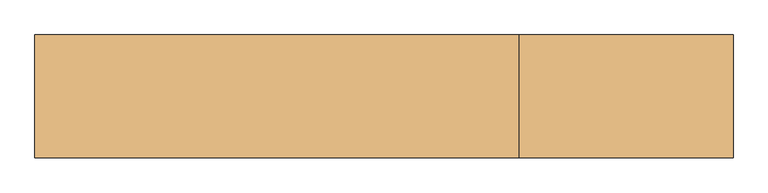
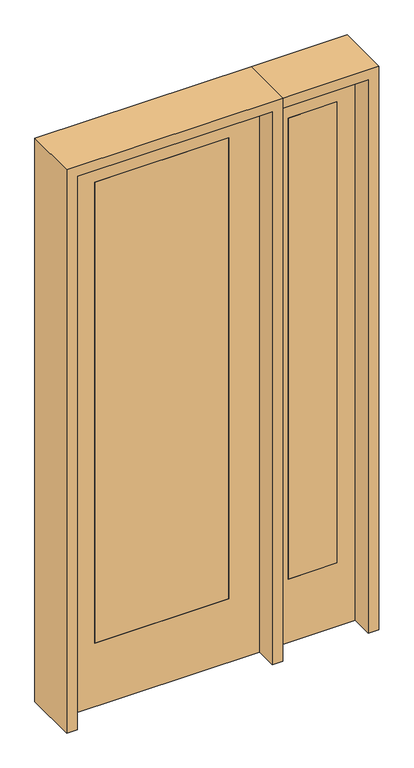
"""IFC4 building model written with IfcOpenShell, lengths in millimetres: door geometry."""

import ifcopenshell
import ifcopenshell.guid

model = None  # the IFC model being written
_history = None  # IfcOwnerHistory: only IFC2X3 demands one
_inside = {}  # id of a spatial element -> (the spatial element, [elements in it])
_under = {}  # id of a project, library or spatial element -> (it, [spatial elements below it])
_declared = {}  # id of a project -> (the project, [libraries it declares])
_typed = {}  # id of a type object -> (the type object, [elements of that type])
_made_of = {}  # id of a material, layer set ... -> (it, [elements and type objects made of it])


def new_model(schema):
    """Start an empty IFC model of exactly this schema.

    Asked for "IFC4X3", IfcOpenShell would pick the latest addendum, in which some entities
    have other attributes; the version numbers below select the first issue.
    IFC2X3 requires an IfcOwnerHistory on every rooted entity: one is made here for all.
    """
    global model, _history
    if schema == "IFC4X3":
        model = ifcopenshell.file(schema_version=(4, 3, 0, 0))
    else:
        model = ifcopenshell.file(schema=schema)
    _inside.clear()
    _under.clear()
    _declared.clear()
    _typed.clear()
    _made_of.clear()
    _history = None
    if model.schema == "IFC2X3":
        org = make("IfcOrganization", Name="unknown")
        user = make(
            "IfcPersonAndOrganization",
            ThePerson=make("IfcPerson", FamilyName="unknown"),
            TheOrganization=org,
        )
        app = make(
            "IfcApplication",
            ApplicationDeveloper=org,
            Version="unknown",
            ApplicationFullName="unknown",
            ApplicationIdentifier="unknown",
        )
        _history = make(
            "IfcOwnerHistory",
            OwningUser=user,
            OwningApplication=app,
            ChangeAction="ADDED",
            CreationDate=0,
        )
    return model


def make(cls, **values):
    """One entity of the class cls with the attributes given. An attribute that is None is left unset."""
    return model.create_entity(
        cls, **{name: value for name, value in values.items() if value is not None}
    )


def rooted(cls, **values):
    """An entity with a GlobalId (a new one), such as an element, a storey or a relation."""
    return make(cls, GlobalId=ifcopenshell.guid.new(), OwnerHistory=_history, **values)


def si_unit(unit_type, name, prefix=None):
    """IfcSIUnit, for example si_unit("LENGTHUNIT", "METRE", prefix="MILLI")."""
    return make("IfcSIUnit", UnitType=unit_type, Prefix=prefix, Name=name)


def assignment(units):
    """IfcUnitAssignment: the units of a project."""
    return None if units is None else make("IfcUnitAssignment", Units=units)


def point(xyz):
    """IfcCartesianPoint."""
    return None if xyz is None else make("IfcCartesianPoint", Coordinates=xyz)


def direction(xyz):
    """IfcDirection."""
    return None if xyz is None else make("IfcDirection", DirectionRatios=xyz)


def frame(location, z_axis=None, x_axis=None):
    """IfcAxis2Placement3D, a coordinate frame: its origin and axes. An axis left out is left unset."""
    return make(
        "IfcAxis2Placement3D",
        Location=point(location),
        Axis=direction(z_axis),
        RefDirection=direction(x_axis),
    )


def origin():
    """The frame at (0, 0, 0) with its axes left unset."""
    return frame((0.0, 0.0, 0.0))


def place(relative_to, where):
    """IfcLocalPlacement: puts the frame where relative to a parent placement (None: the world)."""
    return make(
        "IfcLocalPlacement", PlacementRelTo=relative_to, RelativePlacement=where
    )


def context(
    kind, dimensions, precision=None, world=None, true_north=None, identifier=None
):
    """IfcGeometricRepresentationContext, for example the 3D "Model" context."""
    return make(
        "IfcGeometricRepresentationContext",
        ContextIdentifier=identifier,
        ContextType=kind,
        CoordinateSpaceDimension=dimensions,
        Precision=precision,
        WorldCoordinateSystem=world,
        TrueNorth=true_north,
    )


def project(units=None, contexts=None):
    """IfcProject with its units and contexts."""
    return rooted(
        "IfcProject",
        Name="project",
        RepresentationContexts=contexts,
        UnitsInContext=assignment(units),
    )


def spatial(cls, under=None, at=None, **own):
    """A site, building, storey or space (cls), placed at a placement, below another one or the project."""
    s = rooted(cls, ObjectPlacement=at, **own)
    if under is not None:
        _under.setdefault(under.id(), (under, []))[1].append(s)
    return s


def polyline(points):
    """IfcPolyline through the points."""
    return make("IfcPolyline", Points=[point(p) for p in points])


def outline(outer, holes=None, kind="AREA"):
    """IfcArbitraryClosedProfileDef: a profile drawn as a closed curve; with holes, ...WithVoids."""
    if holes is None:
        return make("IfcArbitraryClosedProfileDef", ProfileType=kind, OuterCurve=outer)
    return make(
        "IfcArbitraryProfileDefWithVoids",
        ProfileType=kind,
        OuterCurve=outer,
        InnerCurves=holes,
    )


def extrude(swept, where, along, depth):
    """IfcExtrudedAreaSolid: the profile swept, set in the frame where, extruded along a direction by depth."""
    return make(
        "IfcExtrudedAreaSolid",
        SweptArea=swept,
        Position=where,
        ExtrudedDirection=direction(along),
        Depth=depth,
    )


def shape(context_of_items, identifier, shape_type, items):
    """IfcShapeRepresentation: the items that make up one representation, for example the "Body"."""
    return make(
        "IfcShapeRepresentation",
        ContextOfItems=context_of_items,
        RepresentationIdentifier=identifier,
        RepresentationType=shape_type,
        Items=items,
    )


def source(mapping_origin, context_of_items, identifier, shape_type, items):
    """IfcRepresentationMap: a shape defined once, which mapped items show again and again."""
    return make(
        "IfcRepresentationMap",
        MappingOrigin=mapping_origin,
        MappedRepresentation=shape(context_of_items, identifier, shape_type, items),
    )


def transform(
    local_origin,
    x_axis=None,
    y_axis=None,
    z_axis=None,
    scale=None,
    scale2=None,
    scale3=None,
    uniform=True,
):
    """IfcCartesianTransformationOperator3D, or its non-uniform kind. x_axis, y_axis, z_axis: its Axis1, 2, 3."""
    if uniform:
        return make(
            "IfcCartesianTransformationOperator3D",
            Axis1=direction(x_axis),
            Axis2=direction(y_axis),
            LocalOrigin=point(local_origin),
            Scale=scale,
            Axis3=direction(z_axis),
        )
    return make(
        "IfcCartesianTransformationOperator3DnonUniform",
        Axis1=direction(x_axis),
        Axis2=direction(y_axis),
        LocalOrigin=point(local_origin),
        Scale=scale,
        Axis3=direction(z_axis),
        Scale2=scale2,
        Scale3=scale3,
    )


def mapped(mapping_source, mapping_target):
    """IfcMappedItem: shows the shape of a source again, moved by a transform."""
    return make(
        "IfcMappedItem", MappingSource=mapping_source, MappingTarget=mapping_target
    )


def made_of(thing, what):
    """Note that an element or type object is made of a material, layer set ...; save() writes the relation."""
    if what is not None:
        _made_of.setdefault(what.id(), (what, []))[1].append(thing)
    return thing


def element(
    cls,
    number,
    at=None,
    inside=None,
    cuts=None,
    type_object=None,
    material=None,
    context=None,
    identifier="Body",
    shape_type=None,
    held_by="IfcProductDefinitionShape",
    body=None,
    shapes=None,
    **own,
):
    """One element of the class cls, such as IfcWall. Its Tag is "e" and its number.

    at: its placement. inside: the storey or other place that contains it. cuts: it is an
    opening in that element (IfcRelVoidsElement). A single representation is given by context,
    identifier, shape_type and body (its items); several are given by shapes. held_by: the class
    of the entity that holds the representations. save() writes the other relations.
    """
    e = rooted(cls, Tag="e%d" % number, ObjectPlacement=at, **own)
    if body is not None:
        shapes = [shape(context, identifier, shape_type, body)]
    if shapes is not None:
        e.Representation = make(held_by, Representations=shapes)
    if inside is not None:
        _inside.setdefault(inside.id(), (inside, []))[1].append(e)
    if cuts is not None:
        rooted(
            "IfcRelVoidsElement", RelatingBuildingElement=cuts, RelatedOpeningElement=e
        )
    if type_object is not None:
        _typed.setdefault(type_object.id(), (type_object, []))[1].append(e)
    return made_of(e, material)


def aggregate(whole, parts):
    """IfcRelAggregates: a whole, such as a stair, and the parts it consists of."""
    return rooted("IfcRelAggregates", RelatingObject=whole, RelatedObjects=parts)


def save(model, path):
    """Write the relations noted so far, then the file.

    IfcRelAggregates (storeys below a building ...), IfcRelContainedInSpatialStructure (elements
    in a storey), IfcRelDefinesByType, IfcRelAssociatesMaterial and IfcRelDeclares: one each for
    every whole, place, type object, material and project.
    """
    for whole, parts in _under.values():
        aggregate(whole, parts)
    for where, things in _inside.values():
        rooted(
            "IfcRelContainedInSpatialStructure",
            RelatedElements=things,
            RelatingStructure=where,
        )
    for kind, things in _typed.values():
        rooted("IfcRelDefinesByType", RelatedObjects=things, RelatingType=kind)
    for what, things in _made_of.values():
        rooted("IfcRelAssociatesMaterial", RelatedObjects=things, RelatingMaterial=what)
    for by, libraries in _declared.values():
        rooted("IfcRelDeclares", RelatingContext=by, RelatedDefinitions=libraries)
    model.write(path)


def door_c3f49b7a(model_context):
    return source(origin(), model_context, "Body", "SweptSolid", [
        extrude(outline(polyline([(527.05, -20.6375), (527.05, 20.6375), (730.25, 20.6375), (730.25, -20.6375), (527.05, -20.6375)])), frame((0.0, 0.0, 279.4), z_axis=(0.0, 0.0, 1.0), x_axis=(1.0, 0.0, 0.0)), (0.0, 0.0, 1.0), 2032.0),
        extrude(outline(polyline([(0.0, 806.45), (2438.4, 806.45), (2438.4, 450.85), (0.0, 450.85), (0.0, 806.45)]), holes=[polyline([(2311.4, 527.05), (2311.4, 730.25), (279.4, 730.25), (279.4, 527.05), (2311.4, 527.05)])]), frame((0.0, -20.6375, 0.0), z_axis=(0.0, 1.0, 0.0), x_axis=(0.0, 0.0, 1.0)), (0.0, 0.0, 1.0), 41.275),
        extrude(outline(polyline([(2438.4, 406.4), (2438.4, -406.4), (0.0, -406.4), (0.0, 406.4), (2438.4, 406.4)]), holes=[polyline([(279.4, 279.4), (279.4, -279.4), (2311.4, -279.4), (2311.4, 279.4), (279.4, 279.4)])]), frame((0.0, -20.6375, 0.0), z_axis=(0.0, 1.0, 0.0), x_axis=(0.0, 0.0, 1.0)), (0.0, 0.0, 1.0), 41.275),
        extrude(outline(polyline([(279.4, -20.6375), (-279.4, -20.6375), (-279.4, 20.6375), (279.4, 20.6375), (279.4, -20.6375)])), frame((0.0, 0.0, 279.4), z_axis=(0.0, 0.0, 1.0), x_axis=(1.0, 0.0, 0.0)), (0.0, 0.0, 1.0), 2032.0),
        extrude(outline(polyline([(2482.85, -450.85), (0.0, -450.85), (0.0, -406.4), (2438.4, -406.4), (2438.4, 406.4), (0.0, 406.4), (0.0, 450.85), (2482.85, 450.85), (2482.85, -450.85)])), frame((0.0, -114.3, 0.0), z_axis=(0.0, 1.0, 0.0), x_axis=(0.0, 0.0, 1.0)), (0.0, 0.0, 1.0), 228.6),
        extrude(outline(polyline([(0.0, 806.45), (0.0, 850.9), (2482.85, 850.9), (2482.85, 450.85), (2438.4, 450.85), (2438.4, 806.45), (0.0, 806.45)])), frame((0.0, -114.3, 0.0), z_axis=(0.0, 1.0, 0.0), x_axis=(0.0, 0.0, 1.0)), (0.0, 0.0, 1.0), 228.6),
    ])


if __name__ == "__main__":
    model = new_model("IFC4")
    model_context = context("Model", 3, world=origin())
    ifc_project = project(units=[si_unit("LENGTHUNIT", "METRE", prefix="MILLI")], contexts=[model_context])
    site = spatial("IfcSite", under=ifc_project)
    building = spatial("IfcBuilding", under=site)
    placement = place(None, origin())
    door_shape = door_c3f49b7a(model_context)
    element("IfcDoor", 1, at=placement, inside=building, context=model_context, shape_type="MappedRepresentation", body=[
        mapped(door_shape, transform((0.0, 0.0, 0.0), x_axis=(1.0, 0.0, 0.0), y_axis=(0.0, 1.0, 0.0), z_axis=(0.0, 0.0, 1.0))),
    ])
    save(model, "model.ifc")
